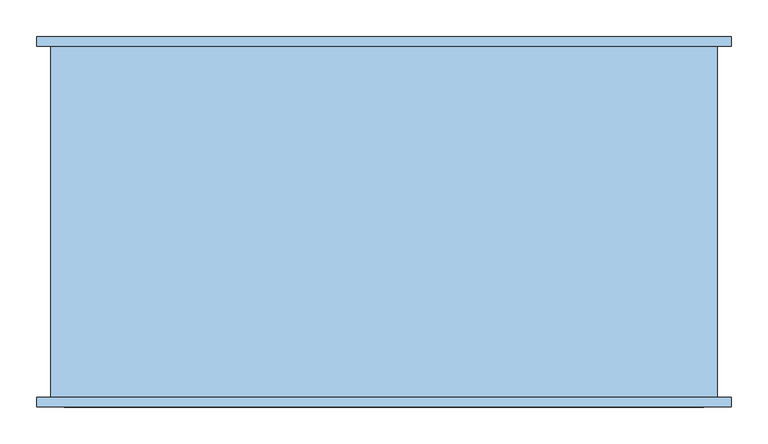
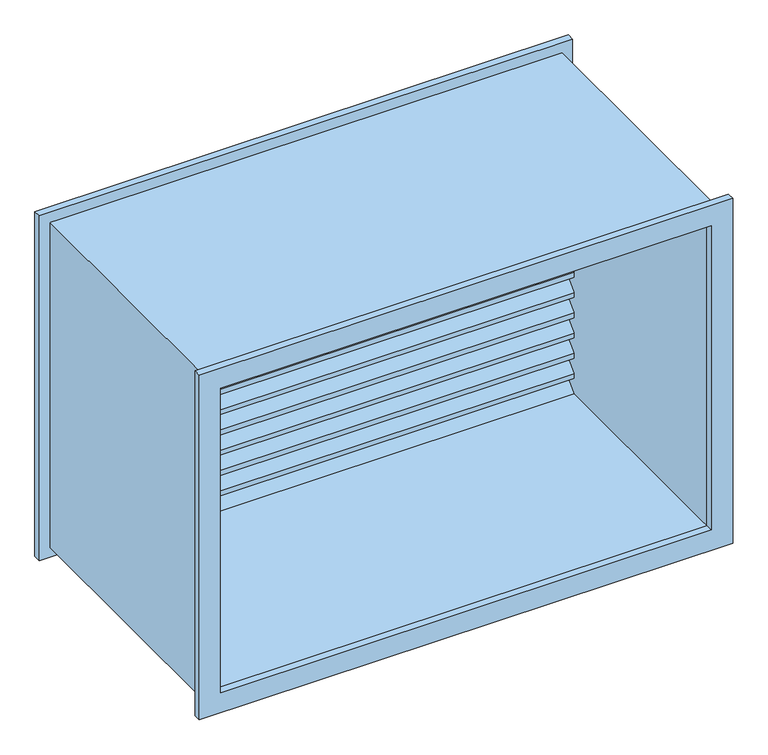
"""IFC4 building model written with IfcOpenShell, lengths in millimetres: window geometry."""

import ifcopenshell
import ifcopenshell.guid

model = None  # the IFC model being written
_history = None  # IfcOwnerHistory: only IFC2X3 demands one
_inside = {}  # id of a spatial element -> (the spatial element, [elements in it])
_under = {}  # id of a project, library or spatial element -> (it, [spatial elements below it])
_declared = {}  # id of a project -> (the project, [libraries it declares])
_typed = {}  # id of a type object -> (the type object, [elements of that type])
_made_of = {}  # id of a material, layer set ... -> (it, [elements and type objects made of it])


def new_model(schema):
    """Start an empty IFC model of exactly this schema.

    Asked for "IFC4X3", IfcOpenShell would pick the latest addendum, in which some entities
    have other attributes; the version numbers below select the first issue.
    IFC2X3 requires an IfcOwnerHistory on every rooted entity: one is made here for all.
    """
    global model, _history
    if schema == "IFC4X3":
        model = ifcopenshell.file(schema_version=(4, 3, 0, 0))
    else:
        model = ifcopenshell.file(schema=schema)
    _inside.clear()
    _under.clear()
    _declared.clear()
    _typed.clear()
    _made_of.clear()
    _history = None
    if model.schema == "IFC2X3":
        org = make("IfcOrganization", Name="unknown")
        user = make(
            "IfcPersonAndOrganization",
            ThePerson=make("IfcPerson", FamilyName="unknown"),
            TheOrganization=org,
        )
        app = make(
            "IfcApplication",
            ApplicationDeveloper=org,
            Version="unknown",
            ApplicationFullName="unknown",
            ApplicationIdentifier="unknown",
        )
        _history = make(
            "IfcOwnerHistory",
            OwningUser=user,
            OwningApplication=app,
            ChangeAction="ADDED",
            CreationDate=0,
        )
    return model


def make(cls, **values):
    """One entity of the class cls with the attributes given. An attribute that is None is left unset."""
    return model.create_entity(
        cls, **{name: value for name, value in values.items() if value is not None}
    )


def rooted(cls, **values):
    """An entity with a GlobalId (a new one), such as an element, a storey or a relation."""
    return make(cls, GlobalId=ifcopenshell.guid.new(), OwnerHistory=_history, **values)


def si_unit(unit_type, name, prefix=None):
    """IfcSIUnit, for example si_unit("LENGTHUNIT", "METRE", prefix="MILLI")."""
    return make("IfcSIUnit", UnitType=unit_type, Prefix=prefix, Name=name)


def assignment(units):
    """IfcUnitAssignment: the units of a project."""
    return None if units is None else make("IfcUnitAssignment", Units=units)


def point(xyz):
    """IfcCartesianPoint."""
    return None if xyz is None else make("IfcCartesianPoint", Coordinates=xyz)


def direction(xyz):
    """IfcDirection."""
    return None if xyz is None else make("IfcDirection", DirectionRatios=xyz)


def frame(location, z_axis=None, x_axis=None):
    """IfcAxis2Placement3D, a coordinate frame: its origin and axes. An axis left out is left unset."""
    return make(
        "IfcAxis2Placement3D",
        Location=point(location),
        Axis=direction(z_axis),
        RefDirection=direction(x_axis),
    )


def origin():
    """The frame at (0, 0, 0) with its axes left unset."""
    return frame((0.0, 0.0, 0.0))


def place(relative_to, where):
    """IfcLocalPlacement: puts the frame where relative to a parent placement (None: the world)."""
    return make(
        "IfcLocalPlacement", PlacementRelTo=relative_to, RelativePlacement=where
    )


def context(
    kind, dimensions, precision=None, world=None, true_north=None, identifier=None
):
    """IfcGeometricRepresentationContext, for example the 3D "Model" context."""
    return make(
        "IfcGeometricRepresentationContext",
        ContextIdentifier=identifier,
        ContextType=kind,
        CoordinateSpaceDimension=dimensions,
        Precision=precision,
        WorldCoordinateSystem=world,
        TrueNorth=true_north,
    )


def project(units=None, contexts=None):
    """IfcProject with its units and contexts."""
    return rooted(
        "IfcProject",
        Name="project",
        RepresentationContexts=contexts,
        UnitsInContext=assignment(units),
    )


def spatial(cls, under=None, at=None, **own):
    """A site, building, storey or space (cls), placed at a placement, below another one or the project."""
    s = rooted(cls, ObjectPlacement=at, **own)
    if under is not None:
        _under.setdefault(under.id(), (under, []))[1].append(s)
    return s


def polyline(points):
    """IfcPolyline through the points."""
    return make("IfcPolyline", Points=[point(p) for p in points])


def outline(outer, holes=None, kind="AREA"):
    """IfcArbitraryClosedProfileDef: a profile drawn as a closed curve; with holes, ...WithVoids."""
    if holes is None:
        return make("IfcArbitraryClosedProfileDef", ProfileType=kind, OuterCurve=outer)
    return make(
        "IfcArbitraryProfileDefWithVoids",
        ProfileType=kind,
        OuterCurve=outer,
        InnerCurves=holes,
    )


def extrude(swept, where, along, depth):
    """IfcExtrudedAreaSolid: the profile swept, set in the frame where, extruded along a direction by depth."""
    return make(
        "IfcExtrudedAreaSolid",
        SweptArea=swept,
        Position=where,
        ExtrudedDirection=direction(along),
        Depth=depth,
    )


def shape(context_of_items, identifier, shape_type, items):
    """IfcShapeRepresentation: the items that make up one representation, for example the "Body"."""
    return make(
        "IfcShapeRepresentation",
        ContextOfItems=context_of_items,
        RepresentationIdentifier=identifier,
        RepresentationType=shape_type,
        Items=items,
    )


def source(mapping_origin, context_of_items, identifier, shape_type, items):
    """IfcRepresentationMap: a shape defined once, which mapped items show again and again."""
    return make(
        "IfcRepresentationMap",
        MappingOrigin=mapping_origin,
        MappedRepresentation=shape(context_of_items, identifier, shape_type, items),
    )


def transform(
    local_origin,
    x_axis=None,
    y_axis=None,
    z_axis=None,
    scale=None,
    scale2=None,
    scale3=None,
    uniform=True,
):
    """IfcCartesianTransformationOperator3D, or its non-uniform kind. x_axis, y_axis, z_axis: its Axis1, 2, 3."""
    if uniform:
        return make(
            "IfcCartesianTransformationOperator3D",
            Axis1=direction(x_axis),
            Axis2=direction(y_axis),
            LocalOrigin=point(local_origin),
            Scale=scale,
            Axis3=direction(z_axis),
        )
    return make(
        "IfcCartesianTransformationOperator3DnonUniform",
        Axis1=direction(x_axis),
        Axis2=direction(y_axis),
        LocalOrigin=point(local_origin),
        Scale=scale,
        Axis3=direction(z_axis),
        Scale2=scale2,
        Scale3=scale3,
    )


def mapped(mapping_source, mapping_target):
    """IfcMappedItem: shows the shape of a source again, moved by a transform."""
    return make(
        "IfcMappedItem", MappingSource=mapping_source, MappingTarget=mapping_target
    )


def made_of(thing, what):
    """Note that an element or type object is made of a material, layer set ...; save() writes the relation."""
    if what is not None:
        _made_of.setdefault(what.id(), (what, []))[1].append(thing)
    return thing


def element(
    cls,
    number,
    at=None,
    inside=None,
    cuts=None,
    type_object=None,
    material=None,
    context=None,
    identifier="Body",
    shape_type=None,
    held_by="IfcProductDefinitionShape",
    body=None,
    shapes=None,
    **own,
):
    """One element of the class cls, such as IfcWall. Its Tag is "e" and its number.

    at: its placement. inside: the storey or other place that contains it. cuts: it is an
    opening in that element (IfcRelVoidsElement). A single representation is given by context,
    identifier, shape_type and body (its items); several are given by shapes. held_by: the class
    of the entity that holds the representations. save() writes the other relations.
    """
    e = rooted(cls, Tag="e%d" % number, ObjectPlacement=at, **own)
    if body is not None:
        shapes = [shape(context, identifier, shape_type, body)]
    if shapes is not None:
        e.Representation = make(held_by, Representations=shapes)
    if inside is not None:
        _inside.setdefault(inside.id(), (inside, []))[1].append(e)
    if cuts is not None:
        rooted(
            "IfcRelVoidsElement", RelatingBuildingElement=cuts, RelatedOpeningElement=e
        )
    if type_object is not None:
        _typed.setdefault(type_object.id(), (type_object, []))[1].append(e)
    return made_of(e, material)


def aggregate(whole, parts):
    """IfcRelAggregates: a whole, such as a stair, and the parts it consists of."""
    return rooted("IfcRelAggregates", RelatingObject=whole, RelatedObjects=parts)


def save(model, path):
    """Write the relations noted so far, then the file.

    IfcRelAggregates (storeys below a building ...), IfcRelContainedInSpatialStructure (elements
    in a storey), IfcRelDefinesByType, IfcRelAssociatesMaterial and IfcRelDeclares: one each for
    every whole, place, type object, material and project.
    """
    for whole, parts in _under.values():
        aggregate(whole, parts)
    for where, things in _inside.values():
        rooted(
            "IfcRelContainedInSpatialStructure",
            RelatedElements=things,
            RelatingStructure=where,
        )
    for kind, things in _typed.values():
        rooted("IfcRelDefinesByType", RelatedObjects=things, RelatingType=kind)
    for what, things in _made_of.values():
        rooted("IfcRelAssociatesMaterial", RelatedObjects=things, RelatingMaterial=what)
    for by, libraries in _declared.values():
        rooted("IfcRelDeclares", RelatingContext=by, RelatedDefinitions=libraries)
    model.write(path)


def window_bfc17efc(model_context):
    return source(origin(), model_context, "Body", "SweptSolid", [
        extrude(outline(polyline([(1543.55, -473.95), (896.05, -473.95), (896.05, 473.95), (1543.55, 473.95), (1543.55, -473.95)]), holes=[polyline([(1505.55, -435.95), (1505.55, 435.95), (934.05, 435.95), (934.05, -435.95), (1505.55, -435.95)])]), frame((0.0, 233.65, 0.0), z_axis=(0.0, 1.0, 0.0), x_axis=(0.0, 0.0, 1.0)), (0.0, 0.0, 1.0), 13.0),
        extrude(outline(polyline([(1543.55, 473.95), (1543.55, -473.95), (896.05, -473.95), (896.05, 473.95), (1543.55, 473.95)]), holes=[polyline([(1505.55, 435.95), (934.05, 435.95), (934.05, -435.95), (1505.55, -435.95), (1505.55, 435.95)])]), frame((0.0, -259.35, 0.0), z_axis=(0.0, 1.0, 0.0), x_axis=(0.0, 0.0, 1.0)), (0.0, 0.0, 1.0), 13.0),
        extrude(outline(polyline([(1524.6, 455.0), (1524.6, -455.0), (915.0, -455.0), (915.0, 455.0), (1524.6, 455.0)]), holes=[polyline([(1505.55, 435.95), (934.05, 435.95), (934.05, -435.95), (1505.55, -435.95), (1505.55, 435.95)])]), frame((0.0, -246.35, 0.0), z_axis=(0.0, 1.0, 0.0), x_axis=(0.0, 0.0, 1.0)), (0.0, 0.0, 1.0), 480.0),
        extrude(outline(polyline([(197.7289755, 969.9710245), (233.65, 934.05), (224.6697439, 934.05), (197.7289755, 960.9907684), (170.7882072, 934.05), (161.807951, 934.05), (197.7289755, 969.9710245)])), frame((-435.95, 0.0, 0.0), z_axis=(1.0, 0.0, 0.0), x_axis=(0.0, 1.0, 0.0)), (0.0, 0.0, 1.0), 871.9),
        extrude(outline(polyline([(197.7289755, 1008.0710245), (233.65, 972.15), (233.65, 963.1697439), (197.7289755, 999.0907684), (161.807951, 963.1697439), (161.807951, 972.15), (197.7289755, 1008.0710245)])), frame((-435.95, 0.0, 0.0), z_axis=(1.0, 0.0, 0.0), x_axis=(0.0, 1.0, 0.0)), (0.0, 0.0, 1.0), 871.9),
        extrude(outline(polyline([(197.7289755, 1046.1710245), (233.65, 1010.25), (233.65, 1001.2697439), (197.7289755, 1037.1907684), (161.807951, 1001.2697439), (161.807951, 1010.25), (197.7289755, 1046.1710245)])), frame((-435.95, 0.0, 0.0), z_axis=(1.0, 0.0, 0.0), x_axis=(0.0, 1.0, 0.0)), (0.0, 0.0, 1.0), 871.9),
        extrude(outline(polyline([(197.7289755, 1084.2710245), (233.65, 1048.35), (233.65, 1039.3697439), (197.7289755, 1075.2907684), (161.807951, 1039.3697439), (161.807951, 1048.35), (197.7289755, 1084.2710245)])), frame((-435.95, 0.0, 0.0), z_axis=(1.0, 0.0, 0.0), x_axis=(0.0, 1.0, 0.0)), (0.0, 0.0, 1.0), 871.9),
        extrude(outline(polyline([(197.7289755, 1122.3710245), (233.65, 1086.45), (233.65, 1077.4697439), (197.7289755, 1113.3907684), (161.807951, 1077.4697439), (161.807951, 1086.45), (197.7289755, 1122.3710245)])), frame((-435.95, 0.0, 0.0), z_axis=(1.0, 0.0, 0.0), x_axis=(0.0, 1.0, 0.0)), (0.0, 0.0, 1.0), 871.9),
        extrude(outline(polyline([(197.7289755, 1160.4710245), (233.65, 1124.55), (233.65, 1115.5697439), (197.7289755, 1151.4907684), (161.807951, 1115.5697439), (161.807951, 1124.55), (197.7289755, 1160.4710245)])), frame((-435.95, 0.0, 0.0), z_axis=(1.0, 0.0, 0.0), x_axis=(0.0, 1.0, 0.0)), (0.0, 0.0, 1.0), 871.9),
        extrude(outline(polyline([(197.7289755, 1198.5710245), (233.65, 1162.65), (233.65, 1153.6697439), (197.7289755, 1189.5907684), (161.807951, 1153.6697439), (161.807951, 1162.65), (197.7289755, 1198.5710245)])), frame((-435.95, 0.0, 0.0), z_axis=(1.0, 0.0, 0.0), x_axis=(0.0, 1.0, 0.0)), (0.0, 0.0, 1.0), 871.9),
        extrude(outline(polyline([(197.7289755, 1236.6710245), (233.65, 1200.75), (233.65, 1191.7697439), (197.7289755, 1227.6907684), (161.807951, 1191.7697439), (161.807951, 1200.75), (197.7289755, 1236.6710245)])), frame((-435.95, 0.0, 0.0), z_axis=(1.0, 0.0, 0.0), x_axis=(0.0, 1.0, 0.0)), (0.0, 0.0, 1.0), 871.9),
        extrude(outline(polyline([(197.7289755, 1274.7710245), (233.65, 1238.85), (233.65, 1229.8697439), (197.7289755, 1265.7907684), (161.807951, 1229.8697439), (161.807951, 1238.85), (197.7289755, 1274.7710245)])), frame((-435.95, 0.0, 0.0), z_axis=(1.0, 0.0, 0.0), x_axis=(0.0, 1.0, 0.0)), (0.0, 0.0, 1.0), 871.9),
        extrude(outline(polyline([(197.7289755, 1312.8710245), (233.65, 1276.95), (233.65, 1267.9697439), (197.7289755, 1303.8907684), (161.807951, 1267.9697439), (161.807951, 1276.95), (197.7289755, 1312.8710245)])), frame((-435.95, 0.0, 0.0), z_axis=(1.0, 0.0, 0.0), x_axis=(0.0, 1.0, 0.0)), (0.0, 0.0, 1.0), 871.9),
        extrude(outline(polyline([(197.7289755, 1350.9710245), (233.65, 1315.05), (233.65, 1306.0697439), (197.7289755, 1341.9907684), (161.807951, 1306.0697439), (161.807951, 1315.05), (197.7289755, 1350.9710245)])), frame((-435.95, 0.0, 0.0), z_axis=(1.0, 0.0, 0.0), x_axis=(0.0, 1.0, 0.0)), (0.0, 0.0, 1.0), 871.9),
        extrude(outline(polyline([(197.7289755, 1389.0710245), (233.65, 1353.15), (233.65, 1344.1697439), (197.7289755, 1380.0907684), (161.807951, 1344.1697439), (161.807951, 1353.15), (197.7289755, 1389.0710245)])), frame((-435.95, 0.0, 0.0), z_axis=(1.0, 0.0, 0.0), x_axis=(0.0, 1.0, 0.0)), (0.0, 0.0, 1.0), 871.9),
        extrude(outline(polyline([(197.7289755, 1427.1710245), (233.65, 1391.25), (233.65, 1382.2697439), (197.7289755, 1418.1907684), (161.807951, 1382.2697439), (161.807951, 1391.25), (197.7289755, 1427.1710245)])), frame((-435.95, 0.0, 0.0), z_axis=(1.0, 0.0, 0.0), x_axis=(0.0, 1.0, 0.0)), (0.0, 0.0, 1.0), 871.9),
        extrude(outline(polyline([(197.7289755, 1465.1710245), (233.65, 1429.35), (233.65, 1420.3697439), (197.7289755, 1456.2907684), (161.807951, 1420.3697439), (161.807951, 1429.35), (197.7289755, 1465.1710245)])), frame((-435.95, 0.0, 0.0), z_axis=(1.0, 0.0, 0.0), x_axis=(0.0, 1.0, 0.0)), (0.0, 0.0, 1.0), 871.9),
        extrude(outline(polyline([(197.7289755, 1503.2710245), (233.65, 1467.35), (233.65, 1458.3697439), (197.7289755, 1494.2907684), (161.807951, 1458.3697439), (161.807951, 1467.35), (197.7289755, 1503.2710245)])), frame((-435.95, 0.0, 0.0), z_axis=(1.0, 0.0, 0.0), x_axis=(0.0, 1.0, 0.0)), (0.0, 0.0, 1.0), 871.9),
    ])


if __name__ == "__main__":
    model = new_model("IFC4")
    model_context = context("Model", 3, world=origin())
    ifc_project = project(units=[si_unit("LENGTHUNIT", "METRE", prefix="MILLI")], contexts=[model_context])
    site = spatial("IfcSite", under=ifc_project)
    building = spatial("IfcBuilding", under=site)
    placement = place(None, origin())
    window_shape = window_bfc17efc(model_context)
    element("IfcWindow", 1, at=placement, inside=building, context=model_context, shape_type="MappedRepresentation", body=[
        mapped(window_shape, transform((0.0, 0.0, 0.0), x_axis=(1.0, 0.0, 0.0), y_axis=(0.0, 1.0, 0.0), z_axis=(0.0, 0.0, 1.0))),
    ])
    save(model, "model.ifc")
